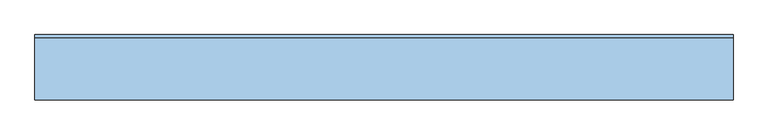
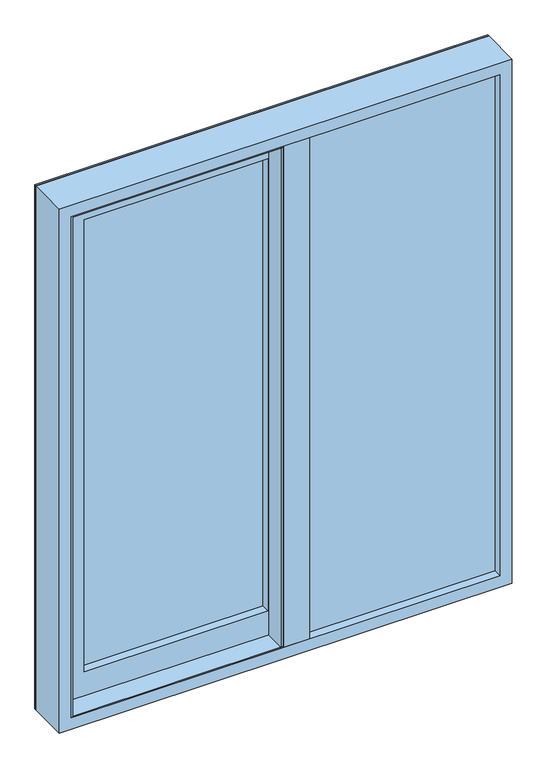
"""IFC4 building model written with IfcOpenShell, lengths in millimetres: window geometry."""

from ifc_helpers import new_model, si_unit, frame, origin, place, context, project, spatial, polyline, outline, extrude, faceted_brep, source, transform, mapped, element, save


def window_bee1c322(model_context):
    return source(origin(), model_context, "Body", "SolidModel", [
        faceted_brep([(-9.1, -10.7, 48.0), (-9.1, -10.7, 38.8), (-9.1, 5.3, 38.8), (-9.1, 5.3, 52.1), (-9.1, -80.7, 52.1), (-9.1, -80.7, 48.0), (-852.0, -10.7, 48.0), (-852.0, -10.7, 2152.0), (-9.1, -10.7, 2152.0), (-9.1, -10.7, 2161.2), (-861.2, -10.7, 2161.2), (-861.2, -10.7, 38.8), (-861.2, 5.3, 38.8), (-861.2, 5.3, 2161.2), (-9.1, 5.3, 2161.2), (-9.1, 5.3, 2147.9), (-847.9, 5.3, 2147.9), (-847.9, 5.3, 52.1), (-847.9, -80.7, 52.1), (-847.9, -80.7, 2147.9), (-9.1, -80.7, 2147.9), (-9.1, -80.7, 2152.0), (-852.0, -80.7, 2152.0), (-852.0, -80.7, 48.0)], [[[0, 1, 2, 3, 4, 5]], [[1, 0, 6, 7, 8, 9, 10, 11]], [[2, 1, 11, 12]], [[3, 2, 12, 13, 14, 15, 16, 17]], [[4, 3, 17, 18]], [[5, 4, 18, 19, 20, 21, 22, 23]], [[0, 5, 23, 6]], [[6, 23, 22, 7]], [[12, 11, 10, 13]], [[18, 17, 16, 19]], [[8, 21, 20, 15, 14, 9]], [[13, 10, 9, 14]], [[19, 16, 15, 20]], [[7, 22, 21, 8]]]),
        extrude(outline(polyline([(0.0, -900.0), (0.0, -852.0), (2152.0, -852.0), (2152.0, 852.0), (0.0, 852.0), (0.0, 900.0), (2200.0, 900.0), (2200.0, -900.0), (0.0, -900.0)])), frame((0.0, 80.7, 0.0), z_axis=(0.0, 1.0, 0.0), x_axis=(0.0, 0.0, 1.0)), (0.0, 0.0, 1.0), 7.1),
        extrude(outline(polyline([(93.9, -10.7), (93.9, -80.7), (-9.1, -80.7), (-9.1, -10.7), (93.9, -10.7)])), frame((0.0, 0.0, 48.0), z_axis=(0.0, 0.0, 1.0), x_axis=(1.0, 0.0, 0.0)), (0.0, 0.0, 1.0), 2104.0),
        extrude(outline(polyline([(93.9, -18.7), (852.0, -18.7), (852.0, -46.7), (93.9, -46.7), (93.9, -18.7)])), frame((0.0, 0.0, 48.0), z_axis=(0.0, 0.0, 1.0), x_axis=(1.0, 0.0, 0.0)), (0.0, 0.0, 1.0), 2104.0),
        extrude(outline(polyline([(-19.0, 43.3), (-749.0, 43.3), (-749.0, 71.3), (-19.0, 71.3), (-19.0, 43.3)])), frame((0.0, 0.0, 151.0), z_axis=(0.0, 0.0, 1.0), x_axis=(1.0, 0.0, 0.0)), (0.0, 0.0, 1.0), 1898.0),
        extrude(outline(polyline([(-19.0, 1.1), (-9.1, 1.1), (-9.1, -80.7), (-19.0, -80.7), (-19.0, 1.1)])), frame((0.0, 0.0, 48.0), z_axis=(0.0, 0.0, 1.0), x_axis=(1.0, 0.0, 0.0)), (0.0, 0.0, 1.0), 2104.0),
        extrude(outline(polyline([(93.9, 79.3), (93.9, -2.5), (84.0, -2.5), (84.0, 79.3), (93.9, 79.3)])), frame((0.0, 0.0, 48.0), z_axis=(0.0, 0.0, 1.0), x_axis=(1.0, 0.0, 0.0)), (0.0, 0.0, 1.0), 2104.0),
        faceted_brep([(84.0, 21.7, 2152.0), (84.0, 9.3, 2152.0), (84.0, 9.3, 48.0), (84.0, 21.7, 48.0), (-852.0, 9.3, 2152.0), (-852.0, 9.3, 48.0), (-19.0, 9.3, 151.0), (-749.0, 9.3, 151.0), (-749.0, 9.3, 2049.0), (-19.0, 9.3, 2049.0), (-852.0, 21.7, 48.0), (-852.0, 21.7, 2152.0), (52.9, 21.7, 2120.9), (-820.9, 21.7, 2120.9), (-820.9, 21.7, 79.1), (52.9, 21.7, 79.1), (52.9, 66.9, 2120.9), (52.9, 66.9, 79.1), (-820.9, 66.9, 79.1), (84.0, 66.9, 2152.0), (-852.0, 66.9, 2152.0), (-852.0, 66.9, 48.0), (84.0, 66.9, 48.0), (-820.9, 66.9, 2120.9), (84.0, 79.3, 2152.0), (84.0, 79.3, 48.0), (-852.0, 79.3, 48.0), (-852.0, 79.3, 2152.0), (-19.0, 79.3, 2049.0), (-749.0, 79.3, 2049.0), (-749.0, 79.3, 151.0), (-19.0, 79.3, 151.0)], [[[0, 1, 2, 3]], [[1, 4, 5, 2], [6, 7, 8, 9]], [[3, 2, 5, 10]], [[3, 10, 11, 0], [12, 13, 14, 15]], [[16, 12, 15, 17]], [[17, 15, 14, 18]], [[19, 20, 21, 22], [17, 18, 23, 16]], [[24, 19, 22, 25]], [[25, 22, 21, 26]], [[25, 26, 27, 24], [28, 29, 30, 31]], [[9, 28, 31, 6]], [[6, 31, 30, 7]], [[10, 5, 4, 11]], [[18, 14, 13, 23]], [[26, 21, 20, 27]], [[7, 30, 29, 8]], [[11, 4, 1, 0]], [[23, 13, 12, 16]], [[27, 20, 19, 24]], [[8, 29, 28, 9]]]),
        faceted_brep([(900.0, -80.7, 2200.0), (900.0, -80.7, 0.0), (900.0, 80.7, 0.0), (900.0, 80.7, 2200.0), (-900.0, -80.7, 2200.0), (-900.0, -80.7, 0.0), (852.0, -80.7, 48.0), (-852.0, -80.7, 48.0), (-852.0, -80.7, 2152.0), (852.0, -80.7, 2152.0), (-900.0, 80.7, 0.0), (-900.0, 80.7, 2200.0), (883.7, 80.7, 2183.7), (-883.7, 80.7, 2183.7), (-883.7, 80.7, 16.3), (883.7, 80.7, 16.3), (883.7, 48.8, 2183.7), (883.7, 48.8, 16.3), (-883.7, 48.8, 16.3), (-883.7, 48.8, 2183.7), (860.0, 48.8, 2160.0), (-860.0, 48.8, 2160.0), (-860.0, 48.8, 40.0), (860.0, 48.8, 40.0), (860.0, 62.8, 2160.0), (860.0, 62.8, 40.0), (-860.0, 62.8, 40.0), (-860.0, 62.8, 2160.0), (852.0, 62.8, 2152.0), (-852.0, 62.8, 2152.0), (-852.0, 62.8, 48.0), (852.0, 62.8, 48.0), (852.0, 39.8, 2152.0), (852.0, 39.8, 48.0), (-852.0, 39.8, 48.0), (883.7, 39.8, 2183.7), (-883.7, 39.8, 2183.7), (-883.7, 39.8, 16.3), (883.7, 39.8, 16.3), (-852.0, 39.8, 2152.0), (883.7, -10.7, 2183.7), (883.7, -10.7, 16.3), (-883.7, -10.7, 16.3), (-883.7, -10.7, 2183.7), (852.0, -10.7, 2152.0), (-852.0, -10.7, 2152.0), (-852.0, -10.7, 48.0), (852.0, -10.7, 48.0)], [[[0, 1, 2, 3]], [[0, 4, 5, 1], [6, 7, 8, 9]], [[2, 1, 5, 10]], [[2, 10, 11, 3], [12, 13, 14, 15]], [[16, 12, 15, 17]], [[17, 15, 14, 18]], [[17, 18, 19, 16], [20, 21, 22, 23]], [[24, 20, 23, 25]], [[25, 23, 22, 26]], [[25, 26, 27, 24], [28, 29, 30, 31]], [[32, 28, 31, 33]], [[33, 31, 30, 34]], [[35, 36, 37, 38], [33, 34, 39, 32]], [[40, 35, 38, 41]], [[41, 38, 37, 42]], [[41, 42, 43, 40], [44, 45, 46, 47]], [[9, 44, 47, 6]], [[6, 47, 46, 7]], [[10, 5, 4, 11]], [[18, 14, 13, 19]], [[26, 22, 21, 27]], [[34, 30, 29, 39]], [[42, 37, 36, 43]], [[7, 46, 45, 8]], [[11, 4, 0, 3]], [[19, 13, 12, 16]], [[27, 21, 20, 24]], [[39, 29, 28, 32]], [[43, 36, 35, 40]], [[8, 45, 44, 9]]]),
    ])


if __name__ == "__main__":
    model = new_model("IFC4")
    model_context = context("Model", 3, world=origin())
    ifc_project = project(units=[si_unit("LENGTHUNIT", "METRE", prefix="MILLI")], contexts=[model_context])
    site = spatial("IfcSite", under=ifc_project)
    building = spatial("IfcBuilding", under=site)
    placement = place(None, origin())
    window_shape = window_bee1c322(model_context)
    element("IfcWindow", 1, at=placement, inside=building, context=model_context, shape_type="MappedRepresentation", body=[
        mapped(window_shape, transform((0.0, 0.0, 0.0), x_axis=(1.0, 0.0, 0.0), y_axis=(0.0, 1.0, 0.0), z_axis=(0.0, 0.0, 1.0))),
    ])
    save(model, "model.ifc")
